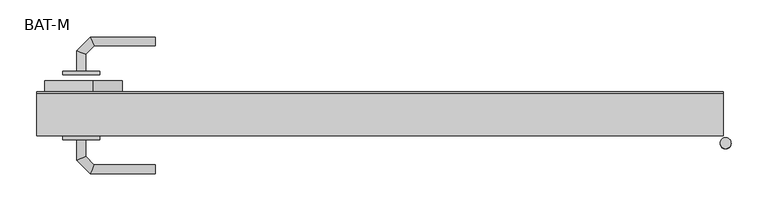
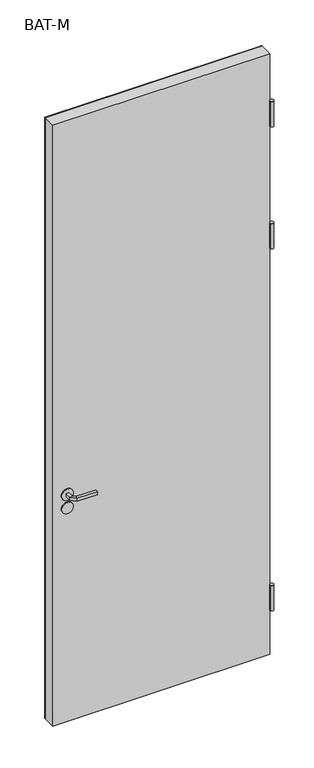
"""IFC4 building model written with IfcOpenShell, lengths in millimetres: proxy geometry, BAT-M."""

from ifc_helpers import new_model, si_unit, point, frame, frame_2d, origin, place, context, project, spatial, polyline, circle_curve, ellipse_curve, trimmed, segment, composite_curve, outline, extrude, source, transform, mapped, element, save
from ifc_brep_helpers import plane_surface, cylinder_surface, advanced_brep


def bat_m_a7517dee(model_context):
    return source(origin(), model_context, "Body", "SolidModel", [
        extrude(outline(composite_curve([segment(polyline([(1126.0, -857.5306002), (1126.0, -922.5306002), (916.0, -922.5306002), (916.0, -857.5306002)]), True, "CONTINUOUS"), segment(trimmed(circle_curve(frame_2d((956.0, -857.5306002)), 40.0), [point((916.0, -857.5306002))], [point((956.0, -817.5306002))], False, "CARTESIAN"), True, "CONTINUOUS"), segment(polyline([(956.0, -817.5306002), (1086.0, -817.5306002)]), True, "CONTINUOUS"), segment(trimmed(circle_curve(frame_2d((1086.0, -857.5306002)), 40.0), [point((1086.0, -817.5306002))], [point((1126.0, -857.5306002))], False, "CARTESIAN"), True, "CONTINUOUS")], self_intersect=False)), frame((0.0, 7.9132708, 0.0), z_axis=(0.0, 1.0, 0.0), x_axis=(0.0, 0.0, 1.0)), (0.0, 0.0, 1.0), 66.9267377),
        extrude(outline(composite_curve([segment(trimmed(circle_curve(frame_2d((1051.0, -872.7739009)), 25.0), [point((1051.0, -897.7739009))], [point((1051.0, -847.7739009))], False, "CARTESIAN"), True, "CONTINUOUS"), segment(trimmed(circle_curve(frame_2d((1051.0, -872.7739009)), 25.0), [point((1051.0, -847.7739009))], [point((1051.0, -897.7739009))], False, "CARTESIAN"), True, "CONTINUOUS")], self_intersect=False)), frame((0.0, 83.0, 0.0), z_axis=(0.0, 1.0, 0.0), x_axis=(0.0, 0.0, 1.0)), (0.0, 0.0, 1.0), 5.0),
        extrude(outline(composite_curve([segment(trimmed(circle_curve(frame_2d((991.25, -872.9257392)), 25.0), [point((991.25, -897.9257392))], [point((991.25, -847.9257392))], False, "CARTESIAN"), True, "CONTINUOUS"), segment(trimmed(circle_curve(frame_2d((991.25, -872.9257392)), 25.0), [point((991.25, -847.9257392))], [point((991.25, -897.9257392))], False, "CARTESIAN"), True, "CONTINUOUS")], self_intersect=False)), frame((0.0, 83.0, 0.0), z_axis=(0.0, 1.0, 0.0), x_axis=(0.0, 0.0, 1.0)), (0.0, 0.0, 1.0), 5.0),
        advanced_brep(
        [(-867.0, 88.0, 1044.0), (-867.0, 88.0, 1058.0), (-879.0, 88.0, 1058.0), (-879.0, 88.0, 1044.0), (-867.0, 110.4852045, 1044.0), (-867.0, 110.4852045, 1058.0), (-879.0, 115.4557673, 1058.0), (-879.0, 115.4557673, 1044.0), (-855.5147186, 121.9704859, 1044.0), (-855.5147186, 121.9704859, 1058.0), (-860.4852814, 133.9704859, 1058.0), (-860.4852814, 133.9704859, 1044.0), (-772.9542163, 121.9704859, 1044.0), (-772.9542163, 133.9704859, 1044.0), (-772.9542163, 133.9704859, 1058.0), (-772.9542163, 121.9704859, 1058.0)],
        [
            (0, 1),
            (1, 2, circle_curve(frame((-873.0, 88.0, 1037.9542278), z_axis=(0.0, -1.0, 0.0), x_axis=(-1.0, 0.0, 0.0)), 20.9244589)),
            (2, 3),
            (3, 0, circle_curve(frame((-873.0, 88.0, 1064.0457722), z_axis=(0.0, -1.0, 0.0), x_axis=(-1.0, 0.0, 0.0)), 20.9244589)),
            (0, 4),
            (4, 5),
            (5, 1),
            (5, 6, ellipse_curve(frame((-873.0, 112.9704859, 1037.9542278), z_axis=(-0.3826834323651092, -0.9238795325112789, 0.0), x_axis=(0.9238795325112791, -0.3826834323651085, 0.0)), 22.6484711, 20.9244589)),
            (6, 2),
            (6, 7),
            (7, 3),
            (7, 4, ellipse_curve(frame((-873.0, 112.9704859, 1064.0457722), z_axis=(-0.3826834323651092, -0.9238795325112789, 0.0), x_axis=(0.9238795325112791, -0.3826834323651085, 0.0)), 22.6484711, 20.9244589)),
            (4, 8),
            (8, 9),
            (9, 5),
            (9, 10, ellipse_curve(frame((-858.0, 127.9704859, 1037.9542278), z_axis=(-0.923879532511295, -0.38268343236507024, 0.0), x_axis=(0.3826834323650705, -0.9238795325112947, 0.0)), 22.6484711, 20.9244589)),
            (10, 6),
            (10, 11),
            (11, 7),
            (11, 8, ellipse_curve(frame((-858.0, 127.9704859, 1064.0457722), z_axis=(-0.923879532511295, -0.38268343236507024, 0.0), x_axis=(0.3826834323650705, -0.9238795325112947, 0.0)), 22.6484711, 20.9244589)),
            (12, 13, circle_curve(frame((-772.9542163, 127.9704859, 1064.0457722), z_axis=(1.0, 0.0, 0.0), x_axis=(0.0, 1.0, 0.0)), 20.9244589)),
            (13, 14),
            (14, 15, circle_curve(frame((-772.9542163, 127.9704859, 1037.9542278), z_axis=(1.0, 0.0, 0.0), x_axis=(0.0, 1.0, 0.0)), 20.9244589)),
            (15, 12),
            (8, 12),
            (15, 9),
            (14, 10),
            (13, 11),
        ],
        [
            plane_surface(frame((-882.2195445, 88.0, 1051.0), z_axis=(0.0, -1.0, 0.0), x_axis=(0.0, 0.0, 1.0))),
            plane_surface(frame((-867.0, 88.0, 1044.0), z_axis=(1.0, 0.0, 0.0), x_axis=(0.0, 1.0, 0.0))),
            cylinder_surface(frame((-873.0, 88.0, 1037.9542278), z_axis=(0.0, -1.0, 0.0), x_axis=(-1.0, 0.0, 0.0)), 20.9244589),
            plane_surface(frame((-879.0, 88.0, 1058.0), z_axis=(-1.0, 0.0, 0.0), x_axis=(0.0, 1.0, 0.0))),
            cylinder_surface(frame((-873.0, 88.0, 1064.0457722), z_axis=(0.0, -1.0, 0.0), x_axis=(-1.0, 0.0, 0.0)), 20.9244589),
            plane_surface(frame((-867.0, 110.4852045, 1044.0), z_axis=(0.7071067811865177, -0.7071067811865773, 0.0), x_axis=(0.7071067811865773, 0.7071067811865177, 0.0))),
            cylinder_surface(frame((-873.0, 112.9704859, 1037.9542278), z_axis=(-0.7071067811865772, -0.7071067811865178, 0.0), x_axis=(-0.7071067811865178, 0.7071067811865772, 0.0)), 20.9244589),
            plane_surface(frame((-879.0, 115.4557673, 1058.0), z_axis=(-0.7071067811865178, 0.7071067811865773, 0.0), x_axis=(0.7071067811865773, 0.7071067811865178, 0.0))),
            cylinder_surface(frame((-873.0, 112.9704859, 1064.0457722), z_axis=(-0.7071067811865772, -0.7071067811865178, 0.0), x_axis=(-0.7071067811865178, 0.7071067811865772, 0.0)), 20.9244589),
            plane_surface(frame((-772.9542163, 127.9704859, 1041.7804555), z_axis=(1.0, 0.0, 0.0), x_axis=(0.0, 1.0, 0.0))),
            plane_surface(frame((-855.5147186, 121.9704859, 1044.0), z_axis=(0.0, -1.0, 0.0), x_axis=(1.0, 0.0, 0.0))),
            cylinder_surface(frame((-858.0, 127.9704859, 1037.9542278), z_axis=(-1.0, 0.0, 0.0), x_axis=(0.0, 1.0, 0.0)), 20.9244589),
            plane_surface(frame((-860.4852814, 133.9704859, 1058.0), z_axis=(0.0, 1.0, 0.0), x_axis=(1.0, 0.0, 0.0))),
            cylinder_surface(frame((-858.0, 127.9704859, 1064.0457722), z_axis=(-1.0, 0.0, 0.0), x_axis=(0.0, 1.0, 0.0)), 20.9244589),
        ],
        [
            (0, [[1, 2, 3, 4]]),
            (1, [[-1, 5, 6, 7]]),
            (2, [[-2, -7, 8, 9]]),
            (3, [[-3, -9, 10, 11]]),
            (4, [[-4, -11, 12, -5]]),
            (5, [[-6, 13, 14, 15]]),
            (6, [[-8, -15, 16, 17]]),
            (7, [[-10, -17, 18, 19]]),
            (8, [[-12, -19, 20, -13]]),
            (9, [[21, 22, 23, 24]]),
            (10, [[-14, 25, -24, 26]]),
            (11, [[-16, -26, -23, 27]]),
            (12, [[-18, -27, -22, 28]]),
            (13, [[-20, -28, -21, -25]]),
        ],
    ),
        advanced_brep(
        [(-879.0, -5.0, 1058.0), (-867.0, -5.0, 1058.0), (-867.0, -5.0, 1044.0), (-879.0, -5.0, 1044.0), (-879.0, -32.6509507, 1058.0), (-867.0, -27.680388, 1058.0), (-867.0, -27.680388, 1044.0), (-879.0, -32.6509507, 1044.0), (-860.62279, -51.0281607, 1058.0), (-855.6522273, -39.0281607, 1058.0), (-855.6522273, -39.0281607, 1044.0), (-860.62279, -51.0281607, 1044.0), (-772.9813594, -51.0281607, 1058.0), (-772.9813594, -51.0281607, 1044.0), (-772.9813594, -39.0281607, 1044.0), (-772.9813594, -39.0281607, 1058.0)],
        [
            (0, 1, circle_curve(frame((-873.0, -5.0, 1037.9542278), z_axis=(0.0, 1.0, 0.0), x_axis=(1.0, 0.0, 0.0)), 20.9244589)),
            (1, 2),
            (2, 3, circle_curve(frame((-873.0, -5.0, 1064.0457722), z_axis=(0.0, 1.0, 0.0), x_axis=(1.0, 0.0, 0.0)), 20.9244589)),
            (3, 0),
            (0, 4),
            (4, 5, ellipse_curve(frame((-873.0, -30.1656693, 1037.9542278), z_axis=(-0.38268343236510954, 0.9238795325112785, 0.0), x_axis=(0.9238795325112784, 0.38268343236510977, 0.0)), 22.6484711, 20.9244589)),
            (5, 1),
            (5, 6),
            (6, 2),
            (6, 7, ellipse_curve(frame((-873.0, -30.1656693, 1064.0457722), z_axis=(-0.38268343236510954, 0.9238795325112785, 0.0), x_axis=(0.9238795325112784, 0.38268343236510977, 0.0)), 22.6484711, 20.9244589)),
            (7, 3),
            (7, 4),
            (4, 8),
            (8, 9, ellipse_curve(frame((-858.1375086, -45.0281607, 1037.9542278), z_axis=(-0.9238795325112947, 0.38268343236507, 0.0), x_axis=(0.38268343236506897, 0.9238795325112953, 0.0)), 22.6484711, 20.9244589)),
            (9, 5),
            (9, 10),
            (10, 6),
            (10, 11, ellipse_curve(frame((-858.1375086, -45.0281607, 1064.0457722), z_axis=(-0.9238795325112947, 0.38268343236507, 0.0), x_axis=(0.38268343236506897, 0.9238795325112953, 0.0)), 22.6484711, 20.9244589)),
            (11, 7),
            (11, 8),
            (12, 13),
            (13, 14, circle_curve(frame((-772.9813594, -45.0281607, 1064.0457722), z_axis=(1.0, 0.0, 0.0), x_axis=(0.0, 1.0, 0.0)), 20.9244589)),
            (14, 15),
            (15, 12, circle_curve(frame((-772.9813594, -45.0281607, 1037.9542278), z_axis=(1.0, 0.0, 0.0), x_axis=(0.0, 1.0, 0.0)), 20.9244589)),
            (8, 12),
            (15, 9),
            (14, 10),
            (13, 11),
        ],
        [
            plane_surface(frame((-882.2195445, -5.0, 1051.0), z_axis=(0.0, 1.0, 0.0), x_axis=(0.0, 0.0, -1.0))),
            cylinder_surface(frame((-873.0, -5.0, 1037.9542278), z_axis=(0.0, 1.0, 0.0), x_axis=(1.0, 0.0, 0.0)), 20.9244589),
            plane_surface(frame((-867.0, -5.0, 1058.0), z_axis=(1.0, 0.0, 0.0), x_axis=(0.0, -1.0, 0.0))),
            cylinder_surface(frame((-873.0, -5.0, 1064.0457722), z_axis=(0.0, 1.0, 0.0), x_axis=(1.0, 0.0, 0.0)), 20.9244589),
            plane_surface(frame((-879.0, -5.0, 1044.0), z_axis=(-1.0, 0.0, 0.0), x_axis=(0.0, -1.0, 0.0))),
            cylinder_surface(frame((-873.0, -30.1656693, 1037.9542278), z_axis=(-0.7071067811865778, 0.7071067811865174, 0.0), x_axis=(0.7071067811865174, 0.7071067811865778, 0.0)), 20.9244589),
            plane_surface(frame((-867.0, -27.680388, 1058.0), z_axis=(0.707106781186518, 0.7071067811865771, 0.0), x_axis=(0.7071067811865771, -0.707106781186518, 0.0))),
            cylinder_surface(frame((-873.0, -30.1656693, 1064.0457722), z_axis=(-0.7071067811865778, 0.7071067811865174, 0.0), x_axis=(0.7071067811865174, 0.7071067811865778, 0.0)), 20.9244589),
            plane_surface(frame((-879.0, -32.6509507, 1044.0), z_axis=(-0.7071067811865176, -0.7071067811865774, 0.0), x_axis=(0.7071067811865774, -0.7071067811865176, 0.0))),
            plane_surface(frame((-772.9813594, -45.0281607, 1041.7804555), z_axis=(1.0, 0.0, 0.0), x_axis=(0.0, 1.0, 0.0))),
            cylinder_surface(frame((-858.1375086, -45.0281607, 1037.9542278), z_axis=(-1.0, 0.0, 0.0), x_axis=(0.0, 1.0, 0.0)), 20.9244589),
            plane_surface(frame((-855.6522273, -39.0281607, 1058.0), z_axis=(0.0, 1.0, 0.0), x_axis=(1.0, 0.0, 0.0))),
            cylinder_surface(frame((-858.1375086, -45.0281607, 1064.0457722), z_axis=(-1.0, 0.0, 0.0), x_axis=(0.0, 1.0, 0.0)), 20.9244589),
            plane_surface(frame((-860.62279, -51.0281607, 1044.0), z_axis=(0.0, -1.0, 0.0), x_axis=(1.0, 0.0, 0.0))),
        ],
        [
            (0, [[1, 2, 3, 4]]),
            (1, [[-1, 5, 6, 7]]),
            (2, [[-2, -7, 8, 9]]),
            (3, [[-3, -9, 10, 11]]),
            (4, [[-4, -11, 12, -5]]),
            (5, [[-6, 13, 14, 15]]),
            (6, [[-8, -15, 16, 17]]),
            (7, [[-10, -17, 18, 19]]),
            (8, [[-12, -19, 20, -13]]),
            (9, [[21, 22, 23, 24]]),
            (10, [[-14, 25, -24, 26]]),
            (11, [[-16, -26, -23, 27]]),
            (12, [[-18, -27, -22, 28]]),
            (13, [[-20, -28, -21, -25]]),
        ],
    ),
        extrude(outline(composite_curve([segment(trimmed(circle_curve(frame_2d((1051.0, -872.7739009)), 25.0), [point((1051.0, -897.7739009))], [point((1051.0, -847.7739009))], False, "CARTESIAN"), True, "CONTINUOUS"), segment(trimmed(circle_curve(frame_2d((1051.0, -872.7739009)), 25.0), [point((1051.0, -847.7739009))], [point((1051.0, -897.7739009))], False, "CARTESIAN"), True, "CONTINUOUS")], self_intersect=False)), frame((0.0, -5.0, 0.0), z_axis=(0.0, 1.0, 0.0), x_axis=(0.0, 0.0, 1.0)), (0.0, 0.0, 1.0), 5.0),
        extrude(outline(composite_curve([segment(trimmed(circle_curve(frame_2d((991.0, -872.9257392)), 25.0), [point((991.0, -897.9257392))], [point((991.0, -847.9257392))], False, "CARTESIAN"), True, "CONTINUOUS"), segment(trimmed(circle_curve(frame_2d((991.0, -872.9257392)), 25.0), [point((991.0, -847.9257392))], [point((991.0, -897.9257392))], False, "CARTESIAN"), True, "CONTINUOUS")], self_intersect=False)), frame((0.0, -5.0, 0.0), z_axis=(0.0, 1.0, 0.0), x_axis=(0.0, 0.0, 1.0)), (0.0, 0.0, 1.0), 5.0),
        extrude(outline(polyline([(-3.0, 57.5), (-933.0, 57.5), (-933.0, 59.5), (-3.0, 59.5), (-3.0, 57.5)])), frame((0.0, 0.0, 19.0), z_axis=(0.0, 0.0, 1.0), x_axis=(1.0, 0.0, 0.0)), (0.0, 0.0, 1.0), 2725.0),
        extrude(outline(polyline([(-933.0, 57.5), (-933.0, 59.5), (-3.0, 59.5), (-3.0, 57.5), (-933.0, 57.5)])), frame((0.0, 0.0, 19.0), z_axis=(0.0, 0.0, 1.0), x_axis=(1.0, 0.0, 0.0)), (0.0, 0.0, 1.0), 2725.0),
        extrude(outline(polyline([(-933.0, 59.5), (-3.0, 59.5), (-3.0, 0.0), (-933.0, 0.0), (-933.0, 59.5)])), frame((0.0, 0.0, 19.0), z_axis=(0.0, 0.0, 1.0), x_axis=(1.0, 0.0, 0.0)), (0.0, 0.0, 1.0), 2725.0),
        extrude(outline(composite_curve([segment(trimmed(circle_curve(frame_2d((0.0, -10.0)), 7.5), [point((7.5, -10.0))], [point((-7.5, -10.0))], False, "CARTESIAN"), True, "CONTINUOUS"), segment(trimmed(circle_curve(frame_2d((0.0, -10.0)), 7.5), [point((-7.5, -10.0))], [point((7.5, -10.0))], False, "CARTESIAN"), True, "CONTINUOUS")], self_intersect=False)), frame((0.0, 0.0, 2421.5), z_axis=(0.0, 0.0, 1.0), x_axis=(1.0, 0.0, 0.0)), (0.0, 0.0, 1.0), 115.0),
        extrude(outline(composite_curve([segment(trimmed(circle_curve(frame_2d((0.0, -10.0)), 7.5), [point((7.5, -10.0))], [point((-7.5, -10.0))], False, "CARTESIAN"), True, "CONTINUOUS"), segment(trimmed(circle_curve(frame_2d((0.0, -10.0)), 7.5), [point((-7.5, -10.0))], [point((7.5, -10.0))], False, "CARTESIAN"), True, "CONTINUOUS")], self_intersect=False)), frame((0.0, 0.0, 1868.5), z_axis=(0.0, 0.0, 1.0), x_axis=(1.0, 0.0, 0.0)), (0.0, 0.0, 1.0), 115.0),
        extrude(outline(composite_curve([segment(trimmed(circle_curve(frame_2d((0.0, -10.0)), 7.5), [point((7.5, -10.0))], [point((-7.5, -10.0))], False, "CARTESIAN"), True, "CONTINUOUS"), segment(trimmed(circle_curve(frame_2d((0.0, -10.0)), 7.5), [point((-7.5, -10.0))], [point((7.5, -10.0))], False, "CARTESIAN"), True, "CONTINUOUS")], self_intersect=False)), frame((0.0, 0.0, 226.5), z_axis=(0.0, 0.0, 1.0), x_axis=(1.0, 0.0, 0.0)), (0.0, 0.0, 1.0), 115.0),
    ])


if __name__ == "__main__":
    model = new_model("IFC4")
    model_context = context("Model", 3, world=origin())
    ifc_project = project(units=[si_unit("LENGTHUNIT", "METRE", prefix="MILLI")], contexts=[model_context])
    site = spatial("IfcSite", under=ifc_project)
    building = spatial("IfcBuilding", under=site)
    placement = place(None, origin())
    bat_m_shape = bat_m_a7517dee(model_context)
    element("IfcBuildingElementProxy", 1, Name="BAT-M", ObjectType="BAT-M", at=placement, inside=building, context=model_context, shape_type="MappedRepresentation", body=[
        mapped(bat_m_shape, transform((0.0, 0.0, 0.0), x_axis=(1.0, 0.0, 0.0), y_axis=(0.0, 1.0, 0.0), z_axis=(0.0, 0.0, 1.0))),
    ])
    save(model, "model.ifc")
